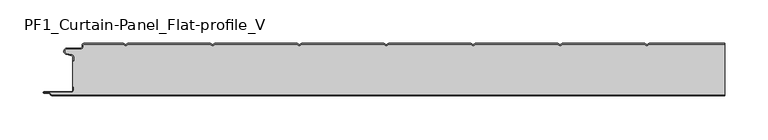
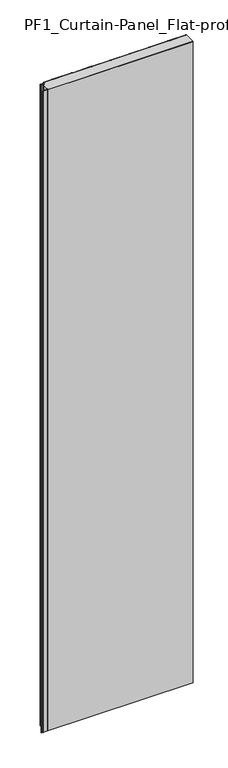
"""IFC4 building model written with IfcOpenShell, lengths in millimetres: plate geometry, PF1_Curtain-Panel_Flat-profile_V."""

import ifcopenshell
import ifcopenshell.guid

model = None  # the IFC model being written
_history = None  # IfcOwnerHistory: only IFC2X3 demands one
_inside = {}  # id of a spatial element -> (the spatial element, [elements in it])
_under = {}  # id of a project, library or spatial element -> (it, [spatial elements below it])
_declared = {}  # id of a project -> (the project, [libraries it declares])
_typed = {}  # id of a type object -> (the type object, [elements of that type])
_made_of = {}  # id of a material, layer set ... -> (it, [elements and type objects made of it])


def new_model(schema):
    """Start an empty IFC model of exactly this schema.

    Asked for "IFC4X3", IfcOpenShell would pick the latest addendum, in which some entities
    have other attributes; the version numbers below select the first issue.
    IFC2X3 requires an IfcOwnerHistory on every rooted entity: one is made here for all.
    """
    global model, _history
    if schema == "IFC4X3":
        model = ifcopenshell.file(schema_version=(4, 3, 0, 0))
    else:
        model = ifcopenshell.file(schema=schema)
    _inside.clear()
    _under.clear()
    _declared.clear()
    _typed.clear()
    _made_of.clear()
    _history = None
    if model.schema == "IFC2X3":
        org = make("IfcOrganization", Name="unknown")
        user = make(
            "IfcPersonAndOrganization",
            ThePerson=make("IfcPerson", FamilyName="unknown"),
            TheOrganization=org,
        )
        app = make(
            "IfcApplication",
            ApplicationDeveloper=org,
            Version="unknown",
            ApplicationFullName="unknown",
            ApplicationIdentifier="unknown",
        )
        _history = make(
            "IfcOwnerHistory",
            OwningUser=user,
            OwningApplication=app,
            ChangeAction="ADDED",
            CreationDate=0,
        )
    return model


def make(cls, **values):
    """One entity of the class cls with the attributes given. An attribute that is None is left unset."""
    return model.create_entity(
        cls, **{name: value for name, value in values.items() if value is not None}
    )


def rooted(cls, **values):
    """An entity with a GlobalId (a new one), such as an element, a storey or a relation."""
    return make(cls, GlobalId=ifcopenshell.guid.new(), OwnerHistory=_history, **values)


def si_unit(unit_type, name, prefix=None):
    """IfcSIUnit, for example si_unit("LENGTHUNIT", "METRE", prefix="MILLI")."""
    return make("IfcSIUnit", UnitType=unit_type, Prefix=prefix, Name=name)


def assignment(units):
    """IfcUnitAssignment: the units of a project."""
    return None if units is None else make("IfcUnitAssignment", Units=units)


def point(xyz):
    """IfcCartesianPoint."""
    return None if xyz is None else make("IfcCartesianPoint", Coordinates=xyz)


def direction(xyz):
    """IfcDirection."""
    return None if xyz is None else make("IfcDirection", DirectionRatios=xyz)


def frame(location, z_axis=None, x_axis=None):
    """IfcAxis2Placement3D, a coordinate frame: its origin and axes. An axis left out is left unset."""
    return make(
        "IfcAxis2Placement3D",
        Location=point(location),
        Axis=direction(z_axis),
        RefDirection=direction(x_axis),
    )


def frame_2d(location, x_axis=None):
    """IfcAxis2Placement2D, a coordinate frame in the plane: its origin and x axis."""
    return make(
        "IfcAxis2Placement2D", Location=point(location), RefDirection=direction(x_axis)
    )


def origin():
    """The frame at (0, 0, 0) with its axes left unset."""
    return frame((0.0, 0.0, 0.0))


def origin_with_axes():
    """The frame at (0, 0, 0) with the z axis (0, 0, 1) and the x axis (1, 0, 0) written out."""
    return frame((0.0, 0.0, 0.0), z_axis=(0.0, 0.0, 1.0), x_axis=(1.0, 0.0, 0.0))


def place(relative_to, where):
    """IfcLocalPlacement: puts the frame where relative to a parent placement (None: the world)."""
    return make(
        "IfcLocalPlacement", PlacementRelTo=relative_to, RelativePlacement=where
    )


def context(
    kind, dimensions, precision=None, world=None, true_north=None, identifier=None
):
    """IfcGeometricRepresentationContext, for example the 3D "Model" context."""
    return make(
        "IfcGeometricRepresentationContext",
        ContextIdentifier=identifier,
        ContextType=kind,
        CoordinateSpaceDimension=dimensions,
        Precision=precision,
        WorldCoordinateSystem=world,
        TrueNorth=true_north,
    )


def project(units=None, contexts=None):
    """IfcProject with its units and contexts."""
    return rooted(
        "IfcProject",
        Name="project",
        RepresentationContexts=contexts,
        UnitsInContext=assignment(units),
    )


def spatial(cls, under=None, at=None, **own):
    """A site, building, storey or space (cls), placed at a placement, below another one or the project."""
    s = rooted(cls, ObjectPlacement=at, **own)
    if under is not None:
        _under.setdefault(under.id(), (under, []))[1].append(s)
    return s


def polyline(points):
    """IfcPolyline through the points."""
    return make("IfcPolyline", Points=[point(p) for p in points])


def circle_curve(where, radius):
    """IfcCircle in the frame where."""
    return make("IfcCircle", Position=where, Radius=radius)


def trimmed(basis, trim1, trim2, sense, master):
    """IfcTrimmedCurve: the piece of a basis curve between two trims."""
    return make(
        "IfcTrimmedCurve",
        BasisCurve=basis,
        Trim1=trim1,
        Trim2=trim2,
        SenseAgreement=sense,
        MasterRepresentation=master,
    )


def segment(curve, same_sense, transition):
    """IfcCompositeCurveSegment."""
    return make(
        "IfcCompositeCurveSegment",
        Transition=transition,
        SameSense=same_sense,
        ParentCurve=curve,
    )


def composite_curve(segments, self_intersect=None):
    """IfcCompositeCurve: segments joined end to end."""
    return make("IfcCompositeCurve", Segments=segments, SelfIntersect=self_intersect)


def outline(outer, holes=None, kind="AREA"):
    """IfcArbitraryClosedProfileDef: a profile drawn as a closed curve; with holes, ...WithVoids."""
    if holes is None:
        return make("IfcArbitraryClosedProfileDef", ProfileType=kind, OuterCurve=outer)
    return make(
        "IfcArbitraryProfileDefWithVoids",
        ProfileType=kind,
        OuterCurve=outer,
        InnerCurves=holes,
    )


def extrude(swept, where, along, depth):
    """IfcExtrudedAreaSolid: the profile swept, set in the frame where, extruded along a direction by depth."""
    return make(
        "IfcExtrudedAreaSolid",
        SweptArea=swept,
        Position=where,
        ExtrudedDirection=direction(along),
        Depth=depth,
    )


def shape(context_of_items, identifier, shape_type, items):
    """IfcShapeRepresentation: the items that make up one representation, for example the "Body"."""
    return make(
        "IfcShapeRepresentation",
        ContextOfItems=context_of_items,
        RepresentationIdentifier=identifier,
        RepresentationType=shape_type,
        Items=items,
    )


def source(mapping_origin, context_of_items, identifier, shape_type, items):
    """IfcRepresentationMap: a shape defined once, which mapped items show again and again."""
    return make(
        "IfcRepresentationMap",
        MappingOrigin=mapping_origin,
        MappedRepresentation=shape(context_of_items, identifier, shape_type, items),
    )


def transform(
    local_origin,
    x_axis=None,
    y_axis=None,
    z_axis=None,
    scale=None,
    scale2=None,
    scale3=None,
    uniform=True,
):
    """IfcCartesianTransformationOperator3D, or its non-uniform kind. x_axis, y_axis, z_axis: its Axis1, 2, 3."""
    if uniform:
        return make(
            "IfcCartesianTransformationOperator3D",
            Axis1=direction(x_axis),
            Axis2=direction(y_axis),
            LocalOrigin=point(local_origin),
            Scale=scale,
            Axis3=direction(z_axis),
        )
    return make(
        "IfcCartesianTransformationOperator3DnonUniform",
        Axis1=direction(x_axis),
        Axis2=direction(y_axis),
        LocalOrigin=point(local_origin),
        Scale=scale,
        Axis3=direction(z_axis),
        Scale2=scale2,
        Scale3=scale3,
    )


def mapped(mapping_source, mapping_target):
    """IfcMappedItem: shows the shape of a source again, moved by a transform."""
    return make(
        "IfcMappedItem", MappingSource=mapping_source, MappingTarget=mapping_target
    )


def made_of(thing, what):
    """Note that an element or type object is made of a material, layer set ...; save() writes the relation."""
    if what is not None:
        _made_of.setdefault(what.id(), (what, []))[1].append(thing)
    return thing


def element(
    cls,
    number,
    at=None,
    inside=None,
    cuts=None,
    type_object=None,
    material=None,
    context=None,
    identifier="Body",
    shape_type=None,
    held_by="IfcProductDefinitionShape",
    body=None,
    shapes=None,
    **own,
):
    """One element of the class cls, such as IfcWall. Its Tag is "e" and its number.

    at: its placement. inside: the storey or other place that contains it. cuts: it is an
    opening in that element (IfcRelVoidsElement). A single representation is given by context,
    identifier, shape_type and body (its items); several are given by shapes. held_by: the class
    of the entity that holds the representations. save() writes the other relations.
    """
    e = rooted(cls, Tag="e%d" % number, ObjectPlacement=at, **own)
    if body is not None:
        shapes = [shape(context, identifier, shape_type, body)]
    if shapes is not None:
        e.Representation = make(held_by, Representations=shapes)
    if inside is not None:
        _inside.setdefault(inside.id(), (inside, []))[1].append(e)
    if cuts is not None:
        rooted(
            "IfcRelVoidsElement", RelatingBuildingElement=cuts, RelatedOpeningElement=e
        )
    if type_object is not None:
        _typed.setdefault(type_object.id(), (type_object, []))[1].append(e)
    return made_of(e, material)


def aggregate(whole, parts):
    """IfcRelAggregates: a whole, such as a stair, and the parts it consists of."""
    return rooted("IfcRelAggregates", RelatingObject=whole, RelatedObjects=parts)


def save(model, path):
    """Write the relations noted so far, then the file.

    IfcRelAggregates (storeys below a building ...), IfcRelContainedInSpatialStructure (elements
    in a storey), IfcRelDefinesByType, IfcRelAssociatesMaterial and IfcRelDeclares: one each for
    every whole, place, type object, material and project.
    """
    for whole, parts in _under.values():
        aggregate(whole, parts)
    for where, things in _inside.values():
        rooted(
            "IfcRelContainedInSpatialStructure",
            RelatedElements=things,
            RelatingStructure=where,
        )
    for kind, things in _typed.values():
        rooted("IfcRelDefinesByType", RelatedObjects=things, RelatingType=kind)
    for what, things in _made_of.values():
        rooted("IfcRelAssociatesMaterial", RelatedObjects=things, RelatingMaterial=what)
    for by, libraries in _declared.values():
        rooted("IfcRelDeclares", RelatingContext=by, RelatedDefinitions=libraries)
    model.write(path)


def pf1_curtain_panel_flat_profile_v_b55137f6(model_context):
    return source(origin(), model_context, "Body", "SweptSolid", [
        extrude(outline(composite_curve([segment(trimmed(circle_curve(frame_2d((-377.0, -15.878557)), 2.0), [point((-375.0, -15.878557))], [point((-376.5500978, -13.9298169))], True, "CARTESIAN"), True, "CONTINUOUS"), segment(polyline([(-376.5500978, -13.9298169), (-382.7098239, -12.507732)]), True, "CONTINUOUS"), segment(trimmed(circle_curve(frame_2d((-381.9, -9.0)), 3.6), [point((-382.7098239, -12.507732))], [point((-381.9, -5.4))], False, "CARTESIAN"), True, "CONTINUOUS"), segment(polyline([(-381.9, -5.4), (-366.4, -5.4)]), True, "CONTINUOUS"), segment(trimmed(circle_curve(frame_2d((-366.4, -3.4)), 2.0), [point((-366.4, -5.4))], [point((-364.4, -3.4))], True, "CARTESIAN"), True, "CONTINUOUS"), segment(polyline([(-364.4, -3.4), (-364.4, -2.0)]), True, "CONTINUOUS"), segment(trimmed(circle_curve(frame_2d((-362.4, -2.0)), 2.0), [point((-364.4, -2.0))], [point((-362.4, 0.0))], False, "CARTESIAN"), True, "CONTINUOUS"), segment(polyline([(-362.4, 0.0), (-317.0999995, 0.0), (-314.4, -1.5588455), (-311.7000005, 0.0), (-217.0999995, 0.0), (-214.4, -1.5588455), (-211.7000005, 0.0), (-117.0999995, 0.0), (-114.4, -1.5588455), (-111.7000005, 0.0), (-17.0999995, 0.0), (-14.4, -1.5588455), (-11.7000005, 0.0), (82.9000005, 0.0), (85.6, -1.5588455), (88.2999995, 0.0), (182.9000005, 0.0), (185.6, -1.5588455), (188.2999995, 0.0), (282.9000005, 0.0), (285.6, -1.5588455), (288.2999995, 0.0), (375.0, 0.0), (375.0, -0.8), (288.5143588, -0.8), (285.6, -2.482606), (282.6856412, -0.8), (188.5143588, -0.8), (185.6, -2.482606), (182.6856412, -0.8), (88.5143588, -0.8), (85.6, -2.482606), (82.6856412, -0.8), (-11.4856412, -0.8), (-14.4, -2.482606), (-17.3143588, -0.8), (-111.4856412, -0.8), (-114.4, -2.482606), (-117.3143588, -0.8), (-211.4856412, -0.8), (-214.4, -2.482606), (-217.3143588, -0.8), (-311.4856412, -0.8), (-314.4, -2.482606), (-317.3143588, -0.8), (-362.4, -0.8)]), True, "CONTINUOUS"), segment(trimmed(circle_curve(frame_2d((-362.4, -2.0)), 1.2), [point((-362.4, -0.8))], [point((-363.6, -2.0))], True, "CARTESIAN"), True, "CONTINUOUS"), segment(polyline([(-363.6, -2.0), (-363.6, -3.4)]), True, "CONTINUOUS"), segment(trimmed(circle_curve(frame_2d((-366.4, -3.4)), 2.8), [point((-363.6, -3.4))], [point((-366.4, -6.2))], False, "CARTESIAN"), True, "CONTINUOUS"), segment(polyline([(-366.4, -6.2), (-381.9, -6.2)]), True, "CONTINUOUS"), segment(trimmed(circle_curve(frame_2d((-381.9, -9.0)), 2.8), [point((-381.9, -6.2))], [point((-382.529863, -11.7282362))], True, "CARTESIAN"), True, "CONTINUOUS"), segment(polyline([(-382.529863, -11.7282362), (-376.370137, -13.150321)]), True, "CONTINUOUS"), segment(trimmed(circle_curve(frame_2d((-377.0, -15.878557)), 2.8), [point((-376.370137, -13.150321))], [point((-374.2, -15.878557))], False, "CARTESIAN"), True, "CONTINUOUS"), segment(polyline([(-374.2, -15.878557), (-374.2, -20.0), (-375.0, -20.0), (-375.0, -15.878557)]), True, "CONTINUOUS")], self_intersect=False)), origin_with_axes(), (0.0, 0.0, 1.0), 3500.0),
        extrude(outline(composite_curve([segment(polyline([(-374.2, -50.0), (-375.0, -50.0), (-375.0, -20.0), (-374.2, -20.0), (-374.2, -15.878557)]), True, "CONTINUOUS"), segment(trimmed(circle_curve(frame_2d((-377.0, -15.878557)), 2.8), [point((-374.2, -15.878557))], [point((-376.370137, -13.1503208))], True, "CARTESIAN"), True, "CONTINUOUS"), segment(polyline([(-376.370137, -13.1503208), (-382.529863, -11.7282362)]), True, "CONTINUOUS"), segment(trimmed(circle_curve(frame_2d((-381.9, -9.0)), 2.8), [point((-382.529863, -11.7282362))], [point((-381.9, -6.2))], False, "CARTESIAN"), True, "CONTINUOUS"), segment(polyline([(-381.9, -6.2), (-366.4, -6.2)]), True, "CONTINUOUS"), segment(trimmed(circle_curve(frame_2d((-366.4, -3.4)), 2.8), [point((-366.4, -6.2))], [point((-363.6, -3.4))], True, "CARTESIAN"), True, "CONTINUOUS"), segment(polyline([(-363.6, -3.4), (-363.6, -2.0)]), True, "CONTINUOUS"), segment(trimmed(circle_curve(frame_2d((-362.4, -2.0)), 1.2), [point((-363.6, -2.0))], [point((-362.4, -0.8))], False, "CARTESIAN"), True, "CONTINUOUS"), segment(polyline([(-362.4, -0.8), (-317.3143588, -0.8), (-314.4, -2.482606), (-311.4856412, -0.8), (-217.3143588, -0.8), (-214.4, -2.482606), (-211.4856412, -0.8), (-117.3143588, -0.8), (-114.4, -2.482606), (-111.4856412, -0.8), (-17.3143588, -0.8), (-14.4, -2.482606), (-11.4856412, -0.8), (82.6856412, -0.8), (85.6, -2.482606), (88.5143588, -0.8), (182.6856412, -0.8), (185.6, -2.482606), (188.5143588, -0.8), (282.6856412, -0.8), (285.6, -2.482606), (288.5143588, -0.8), (375.0, -0.8), (375.0, -59.2), (-399.4, -59.2)]), True, "CONTINUOUS"), segment(trimmed(circle_curve(frame_2d((-399.4, -58.4)), 0.8), [point((-399.4, -59.2))], [point((-400.2, -58.4))], False, "CARTESIAN"), True, "CONTINUOUS"), segment(trimmed(circle_curve(frame_2d((-401.9, -58.6133333)), 1.7133333), [point((-400.2, -58.4))], [point((-401.9, -56.9))], True, "CARTESIAN"), True, "CONTINUOUS"), segment(polyline([(-401.9, -56.9), (-407.8700312, -56.9)]), True, "CONTINUOUS"), segment(trimmed(circle_curve(frame_2d((-407.8700312, -56.6)), 0.3), [point((-407.8700312, -56.9))], [point((-407.8700312, -56.3))], False, "CARTESIAN"), True, "CONTINUOUS"), segment(polyline([(-407.8700312, -56.3), (-377.0, -56.3)]), True, "CONTINUOUS"), segment(trimmed(circle_curve(frame_2d((-377.0, -53.5)), 2.8), [point((-377.0, -56.3))], [point((-374.2, -53.5))], True, "CARTESIAN"), True, "CONTINUOUS"), segment(polyline([(-374.2, -53.5), (-374.2, -50.0)]), True, "CONTINUOUS")], self_intersect=False)), origin_with_axes(), (0.0, 0.0, 1.0), 3500.0),
        extrude(outline(composite_curve([segment(polyline([(-375.0, -50.0), (-374.2, -50.0), (-374.2, -53.5)]), True, "CONTINUOUS"), segment(trimmed(circle_curve(frame_2d((-377.0, -53.5)), 2.8), [point((-374.2, -53.5))], [point((-377.0, -56.3))], False, "CARTESIAN"), True, "CONTINUOUS"), segment(polyline([(-377.0, -56.3), (-407.8700312, -56.3)]), True, "CONTINUOUS"), segment(trimmed(circle_curve(frame_2d((-407.8700312, -56.6)), 0.3), [point((-407.8700312, -56.3))], [point((-407.8700312, -56.9))], True, "CARTESIAN"), True, "CONTINUOUS"), segment(polyline([(-407.8700312, -56.9), (-401.9, -56.9)]), True, "CONTINUOUS"), segment(trimmed(circle_curve(frame_2d((-401.9, -58.6133333)), 1.7133333), [point((-401.9, -56.9))], [point((-400.2, -58.4))], False, "CARTESIAN"), True, "CONTINUOUS"), segment(trimmed(circle_curve(frame_2d((-399.4, -58.4)), 0.8), [point((-400.2, -58.4))], [point((-399.4, -59.2))], True, "CARTESIAN"), True, "CONTINUOUS"), segment(polyline([(-399.4, -59.2), (375.0, -59.2), (375.0, -60.0), (-399.4, -60.0)]), True, "CONTINUOUS"), segment(trimmed(circle_curve(frame_2d((-399.4, -58.4)), 1.6), [point((-399.4, -60.0))], [point((-401.0, -58.4))], False, "CARTESIAN"), True, "CONTINUOUS"), segment(trimmed(circle_curve(frame_2d((-401.9, -58.4)), 0.9), [point((-401.0, -58.4))], [point((-401.9, -57.5))], True, "CARTESIAN"), True, "CONTINUOUS"), segment(polyline([(-401.9, -57.5), (-408.0, -57.5)]), True, "CONTINUOUS"), segment(trimmed(circle_curve(frame_2d((-408.0, -56.5)), 1.0), [point((-408.0, -57.5))], [point((-408.0, -55.5))], False, "CARTESIAN"), True, "CONTINUOUS"), segment(polyline([(-408.0, -55.5), (-377.0, -55.5)]), True, "CONTINUOUS"), segment(trimmed(circle_curve(frame_2d((-377.0, -53.5)), 2.0), [point((-377.0, -55.5))], [point((-375.0, -53.5))], True, "CARTESIAN"), True, "CONTINUOUS"), segment(polyline([(-375.0, -53.5), (-375.0, -50.0)]), True, "CONTINUOUS")], self_intersect=False)), origin_with_axes(), (0.0, 0.0, 1.0), 3500.0),
    ])


if __name__ == "__main__":
    model = new_model("IFC4")
    model_context = context("Model", 3, world=origin())
    ifc_project = project(units=[si_unit("LENGTHUNIT", "METRE", prefix="MILLI")], contexts=[model_context])
    site = spatial("IfcSite", under=ifc_project)
    building = spatial("IfcBuilding", under=site)
    placement = place(None, origin())
    pf1_curtain_panel_flat_profile_v_shape = pf1_curtain_panel_flat_profile_v_b55137f6(model_context)
    element("IfcPlate", 1, ObjectType="PF1_Curtain-Panel_Flat-profile_V", at=placement, inside=building, context=model_context, shape_type="MappedRepresentation", body=[
        mapped(pf1_curtain_panel_flat_profile_v_shape, transform((0.0, 0.0, 0.0), x_axis=(1.0, 0.0, 0.0), y_axis=(0.0, 1.0, 0.0), z_axis=(0.0, 0.0, 1.0))),
    ])
    save(model, "model.ifc")
